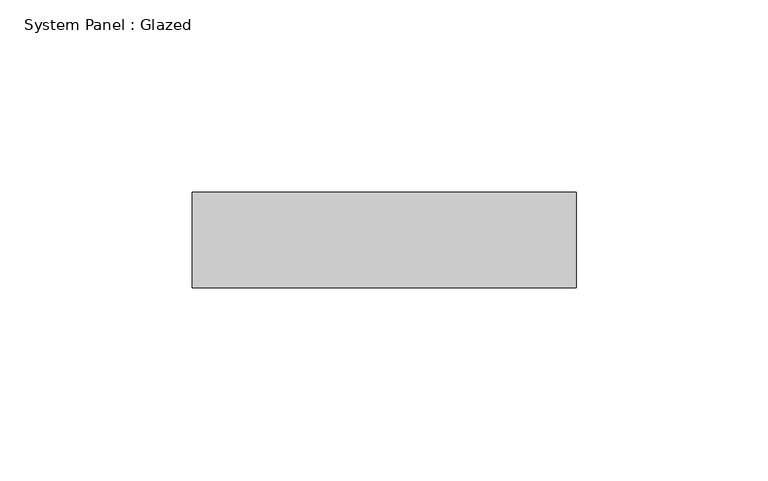
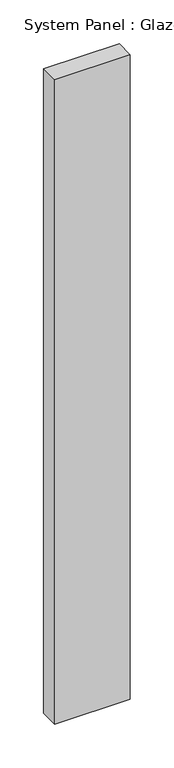
"""IFC4 building model written with IfcOpenShell, lengths in millimetres: plate geometry, System Panel : Glazed."""

from ifc_helpers import new_model, si_unit, origin, origin_with_axes, place, context, project, spatial, polyline, outline, extrude, source, transform, mapped, element, save


def system_panel_glazed_b514534a(model_context):
    return source(origin(), model_context, "Body", "SweptSolid", [
        extrude(outline(polyline([(50.0, -49.5), (-50.0, -49.5), (-50.0, -24.5), (50.0, -24.5), (50.0, -49.5)])), origin_with_axes(), (0.0, 0.0, 1.0), 899.0),
    ])


if __name__ == "__main__":
    model = new_model("IFC4")
    model_context = context("Model", 3, world=origin())
    ifc_project = project(units=[si_unit("LENGTHUNIT", "METRE", prefix="MILLI")], contexts=[model_context])
    site = spatial("IfcSite", under=ifc_project)
    building = spatial("IfcBuilding", under=site)
    placement = place(None, origin())
    system_panel_glazed_shape = system_panel_glazed_b514534a(model_context)
    element("IfcPlate", 1, ObjectType="System Panel : Glazed", at=placement, inside=building, context=model_context, shape_type="MappedRepresentation", body=[
        mapped(system_panel_glazed_shape, transform((0.0, 0.0, 0.0), x_axis=(1.0, 0.0, 0.0), y_axis=(0.0, 1.0, 0.0), z_axis=(0.0, 0.0, 1.0))),
    ])
    save(model, "model.ifc")
